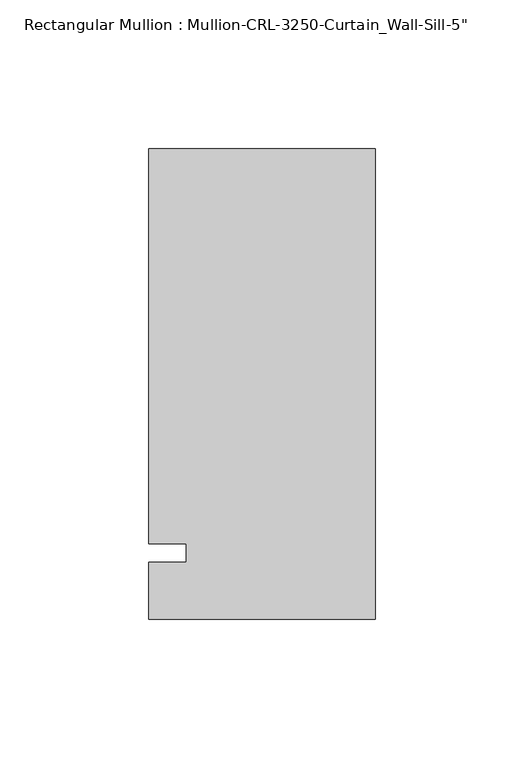
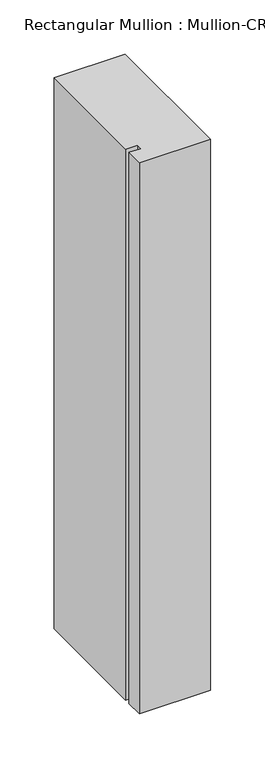
"""IFC4 building model written with IfcOpenShell, lengths in millimetres: member geometry."""

from ifc_helpers import new_model, si_unit, frame, origin, place, context, project, spatial, polyline, outline, extrude, source, transform, mapped, element, save


def member_5260112c(model_context):
    return source(origin(), model_context, "Body", "SweptSolid", [
        extrude(outline(polyline([(-76.199997, -3.175), (-63.499997, -3.175), (-63.499997, 3.175), (-76.199997, 3.175), (-76.199997, 136.0175661), (0.0, 136.0175661), (0.0, -22.2254168), (-76.199997, -22.2254168), (-76.199997, -3.175)])), frame((0.0, 0.0, -622.300003), z_axis=(0.0, 0.0, 1.0), x_axis=(1.0, 0.0, 0.0)), (0.0, 0.0, 1.0), 622.300003),
    ])


if __name__ == "__main__":
    model = new_model("IFC4")
    model_context = context("Model", 3, world=origin())
    ifc_project = project(units=[si_unit("LENGTHUNIT", "METRE", prefix="MILLI")], contexts=[model_context])
    site = spatial("IfcSite", under=ifc_project)
    building = spatial("IfcBuilding", under=site)
    placement = place(None, origin())
    member_shape = member_5260112c(model_context)
    element("IfcMember", 1, ObjectType="Rectangular Mullion : Mullion-CRL-3250-Curtain_Wall-Sill-5\"", at=placement, inside=building, context=model_context, shape_type="MappedRepresentation", body=[
        mapped(member_shape, transform((0.0, 0.0, 0.0), x_axis=(1.0, 0.0, 0.0), y_axis=(0.0, 1.0, 0.0), z_axis=(0.0, 0.0, 1.0))),
    ])
    save(model, "model.ifc")
